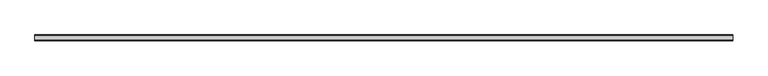
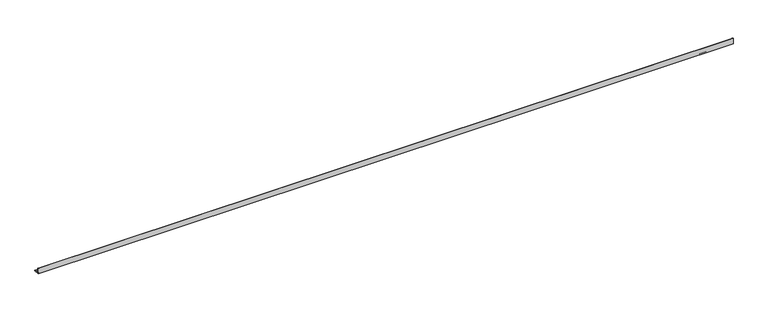
"""IFC4 building model written with IfcOpenShell, lengths in millimetres: beam geometry."""

from ifc_helpers import new_model, si_unit, point, frame, frame_2d, origin, place, context, project, spatial, polyline, circle_curve, trimmed, segment, composite_curve, outline, extrude, source, transform, mapped, element, save


def beam_eb3a2689(model_context):
    return source(origin(), model_context, "Body", "SweptSolid", [
        extrude(outline(composite_curve([segment(polyline([(-21.3, -21.3), (-21.3, 53.7), (-18.3, 53.7)]), True, "CONTINUOUS"), segment(trimmed(circle_curve(frame_2d((-18.3, 48.7)), 5.0), [point((-18.3, 53.7))], [point((-13.3, 48.7))], False, "CARTESIAN"), True, "CONTINUOUS"), segment(polyline([(-13.3, 48.7), (-13.3, -5.3)]), True, "CONTINUOUS"), segment(trimmed(circle_curve(frame_2d((-5.3, -5.3)), 8.0), [point((-13.3, -5.3))], [point((-5.3, -13.3))], True, "CARTESIAN"), True, "CONTINUOUS"), segment(polyline([(-5.3, -13.3), (48.7, -13.3)]), True, "CONTINUOUS"), segment(trimmed(circle_curve(frame_2d((48.7, -18.3)), 5.0), [point((48.7, -13.3))], [point((53.7, -18.3))], False, "CARTESIAN"), True, "CONTINUOUS"), segment(polyline([(53.7, -18.3), (53.7, -21.3), (-21.3, -21.3)]), True, "CONTINUOUS")], self_intersect=False)), frame((-4390.5, 0.0, 0.0), z_axis=(1.0, 0.0, 0.0), x_axis=(0.0, 1.0, 0.0)), (0.0, 0.0, 1.0), 8851.0),
    ])


if __name__ == "__main__":
    model = new_model("IFC4")
    model_context = context("Model", 3, world=origin())
    ifc_project = project(units=[si_unit("LENGTHUNIT", "METRE", prefix="MILLI")], contexts=[model_context])
    site = spatial("IfcSite", under=ifc_project)
    building = spatial("IfcBuilding", under=site)
    placement = place(None, origin())
    beam_shape = beam_eb3a2689(model_context)
    element("IfcBeam", 1, at=placement, inside=building, context=model_context, shape_type="MappedRepresentation", body=[
        mapped(beam_shape, transform((0.0, 0.0, 0.0), x_axis=(1.0, 0.0, 0.0), y_axis=(0.0, 1.0, 0.0), z_axis=(0.0, 0.0, 1.0))),
    ])
    save(model, "model.ifc")
